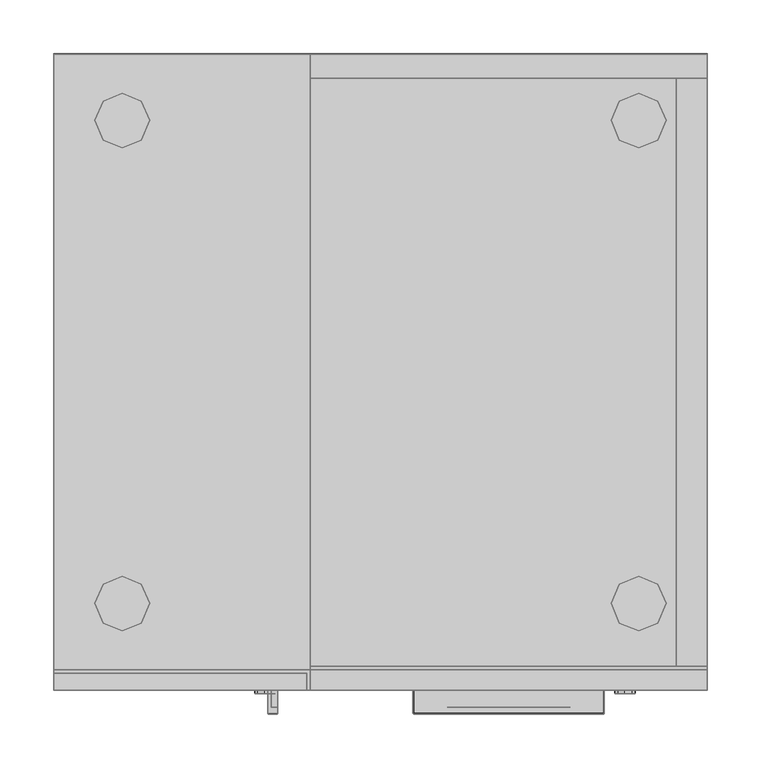
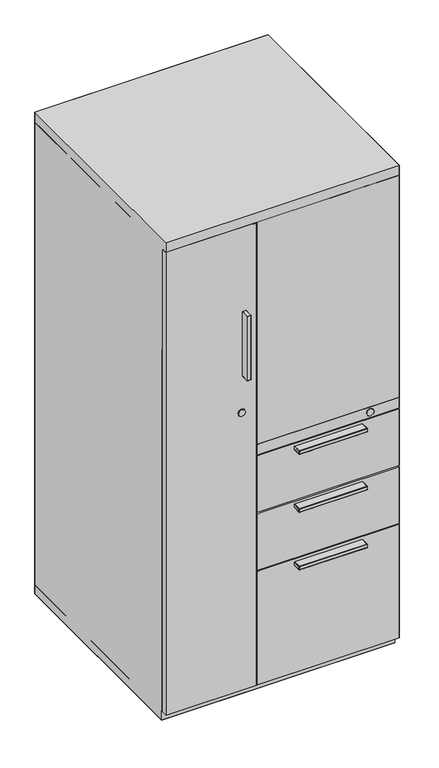
"""IFC4 building model written with IfcOpenShell, lengths in millimetres: furniture geometry."""

from ifc_helpers import new_model, si_unit, origin, place, context, project, spatial, triangles, source, transform, mapped, element, save


def furniture_34507e04(model_context):
    return source(origin(), model_context, "Body", "Tessellation", [
        triangles([(606.4250121, -590.55, 664.6672056), (238.125, -590.55, 664.6672056), (238.125, -590.55, 509.090946), (606.4250121, -590.55, 509.090946), (606.4250121, -574.6749879, 664.6672056), (606.4250121, -574.6749879, 509.090946), (238.125, -574.6749879, 509.090946), (238.125, -574.6749879, 664.6672056), (0.0, -590.55, 36.0172011), (234.9499939, -590.55, 36.0172011), (234.9499939, -590.55, 1304.9255814), (0.0, -590.55, 1304.9255814), (234.9499939, -574.6749879, 1304.9255814), (234.9499939, -574.6749879, 36.0172011), (0.0, -574.6749879, 36.0172011), (0.0, -574.6749879, 1304.9255814), (606.4250121, -590.55, 347.1672177), (238.125, -590.55, 347.1672177), (238.125, -590.55, 36.0172011), (606.4250121, -590.55, 36.0172011), (238.125, -574.6749879, 347.1672177), (238.125, -574.6749879, 36.0172011), (606.4250121, -574.6749879, 347.1672177), (606.4250121, -574.6749879, 36.0172011), (606.4250121, -590.55, 505.9146501), (238.125, -590.55, 505.9146501), (238.125, -590.55, 350.3409339), (606.4250121, -590.55, 350.3409339), (606.4250121, -574.6749879, 505.9146501), (606.4250121, -574.6749879, 350.3409339), (238.125, -574.6749879, 350.3409339), (238.125, -574.6749879, 505.9146501), (238.125, -590.55, 696.4172298), (606.4250121, -590.55, 696.4172298), (606.4250121, -574.6749879, 696.4172298), (238.125, -574.6749879, 696.4172298), (238.125, -590.55, 667.8422298), (606.4250121, -590.55, 667.8422298), (238.125, -574.6749879, 667.8422298), (606.4250121, -574.6749879, 667.8422298)], [[1, 2, 3], [1, 3, 4], [5, 1, 4], [5, 4, 6], [3, 2, 7], [2, 8, 7], [9, 10, 11], [9, 11, 12], [13, 14, 15], [13, 15, 16], [9, 12, 16], [9, 16, 15], [10, 14, 13], [10, 13, 11], [17, 18, 19], [17, 19, 20], [19, 18, 21], [19, 21, 22], [23, 17, 20], [23, 20, 24], [25, 26, 27], [25, 27, 28], [29, 25, 28], [29, 28, 30], [27, 26, 31], [26, 32, 31], [18, 17, 23], [18, 23, 21], [26, 25, 29], [26, 29, 32], [33, 34, 35], [33, 35, 36], [2, 1, 5], [2, 5, 8], [34, 33, 37], [34, 37, 38], [36, 33, 37], [36, 37, 39], [35, 34, 38], [35, 38, 40]], closed=False),
        triangles([(45.6406235, -528.2406129, 0.0), (63.4999985, -535.3843629, 0.0), (63.4999985, -535.3843629, 10.6172003), (45.6406235, -528.2406129, 10.6172003), (63.4999985, -484.584375, 0.0), (45.6406235, -492.1250121, 0.0), (45.6406235, -492.1250121, 10.6172003), (63.4999985, -484.584375, 10.6172003), (38.1, -509.9843871, 0.0), (38.1, -509.9843871, 10.6172003), (88.899997, -509.9843871, 0.0), (81.359378, -492.1250121, 0.0), (81.359378, -492.1250121, 10.6172003), (88.899997, -509.9843871, 10.6172003), (81.359378, -528.2406129, 0.0), (81.359378, -528.2406129, 10.6172003), (45.6406235, -79.771875, 10.6172003), (45.6406235, -79.771875, 0.0), (63.4999985, -86.915625, 0.0), (63.4999985, -86.915625, 10.6172003), (63.4999985, -36.1156258, 10.6172003), (63.4999985, -36.1156258, 0.0), (45.6406235, -43.6562515, 0.0), (45.6406235, -43.6562515, 10.6172003), (38.1, -61.5156265, 10.6172003), (38.1, -61.5156265, 0.0), (88.899997, -61.5156265, 10.6172003), (88.899997, -61.5156265, 0.0), (81.359378, -43.6562515, 0.0), (81.359378, -43.6562515, 10.6172003), (81.359378, -79.771875, 10.6172003), (81.359378, -79.771875, 0.0), (568.3250121, -509.9843871, 10.6172003), (568.3250121, -509.9843871, 0.0), (560.784375, -492.1250121, 0.0), (560.784375, -492.1250121, 10.6172003), (560.784375, -528.2406129, 10.6172003), (560.784375, -528.2406129, 0.0), (525.065625, -492.1250121, 10.6172003), (525.065625, -492.1250121, 0.0), (517.5249879, -509.9843871, 0.0), (517.5249879, -509.9843871, 10.6172003), (525.065625, -528.2406129, 0.0), (525.065625, -528.2406129, 10.6172003), (542.925, -535.3843629, 0.0), (542.925, -535.3843629, 10.6172003), (542.925, -484.584375, 0.0), (542.925, -484.584375, 10.6172003), (568.3250121, -61.5156265, 0.0), (560.784375, -43.6562515, 0.0), (560.784375, -43.6562515, 10.6172003), (568.3250121, -61.5156265, 10.6172003), (560.784375, -79.771875, 0.0), (560.784375, -79.771875, 10.6172003), (525.065625, -43.6562515, 0.0), (517.5249879, -61.5156265, 0.0), (517.5249879, -61.5156265, 10.6172003), (525.065625, -43.6562515, 10.6172003), (525.065625, -79.771875, 0.0), (525.065625, -79.771875, 10.6172003), (542.925, -86.915625, 0.0), (542.925, -86.915625, 10.6172003), (542.925, -36.1156258, 0.0), (542.925, -36.1156258, 10.6172003)], [[1, 2, 3], [1, 3, 4], [5, 6, 7], [5, 7, 8], [6, 9, 10], [6, 10, 7], [9, 1, 4], [9, 4, 10], [11, 12, 13], [11, 13, 14], [15, 11, 14], [15, 14, 16], [2, 15, 16], [2, 16, 3], [12, 5, 8], [12, 8, 13], [17, 18, 19], [17, 19, 20], [21, 22, 23], [21, 23, 24], [24, 23, 25], [23, 26, 25], [25, 26, 18], [25, 18, 17], [27, 28, 29], [27, 29, 30], [31, 32, 28], [31, 28, 27], [20, 19, 31], [19, 32, 31], [30, 29, 22], [30, 22, 21], [33, 34, 35], [33, 35, 36], [37, 38, 34], [37, 34, 33], [39, 40, 41], [39, 41, 42], [42, 41, 43], [42, 43, 44], [44, 43, 45], [44, 45, 46], [46, 45, 38], [46, 38, 37], [36, 35, 47], [36, 47, 48], [48, 47, 40], [48, 40, 39], [49, 50, 51], [49, 51, 52], [53, 49, 52], [53, 52, 54], [55, 56, 57], [55, 57, 58], [56, 59, 60], [56, 60, 57], [59, 61, 62], [59, 62, 60], [63, 55, 58], [63, 58, 64], [61, 53, 54], [61, 54, 62], [50, 63, 64], [50, 64, 51]], closed=False),
        triangles([(199.2045741, -590.55, 897.2854923), (207.2055755, -590.55, 897.2854923), (207.2055755, -612.0130068, 897.2854923), (199.2045741, -612.0130068, 897.2854923), (199.2045741, -612.7750242, 898.0475098), (207.2055755, -612.7750242, 898.0475098), (207.2055755, -612.7750242, 1074.3234507), (199.2045741, -612.7750242, 1074.3234507), (198.4425748, -590.55, 898.0475098), (198.4425748, -612.0130068, 898.0475098), (198.4425748, -612.0130068, 1074.3234507), (198.4425748, -590.55, 1074.3234507), (201.6175808, -605.7899855, 934.8012983), (201.6175808, -590.55, 934.8012983), (201.6175808, -605.7899855, 1037.5696621), (201.6175808, -590.55, 1037.5696621), (202.0017144, -590.55, 1039.7447474), (201.9942112, -605.7899855, 1039.7240364), (203.2430267, -590.55, 1041.8124264), (203.2430267, -605.7899855, 1041.8124264), (205.0182454, -590.55, 1043.1932287), (204.9988425, -605.7899855, 1043.1829823), (207.2872202, -590.55, 1043.8831575), (207.2872202, -605.7899855, 1043.8831575), (207.7725286, -590.55, 1044.1316162), (207.7725286, -605.7899855, 1044.1316162), (207.9675748, -590.55, 1044.6407421), (207.9675748, -605.7899855, 1044.6407421), (201.9942112, -605.7899855, 932.646924), (202.0017144, -590.55, 932.6262131), (203.2430267, -605.7899855, 930.558534), (203.2430267, -590.55, 930.558534), (204.9988425, -605.7899855, 929.1879782), (205.0182454, -590.55, 929.1777317), (207.2872202, -605.7899855, 928.4878029), (207.2872202, -590.55, 928.4878029), (207.7725286, -605.7899855, 928.2393442), (207.7725286, -590.55, 928.2393442), (207.9675748, -605.7899855, 927.7302183), (207.9675748, -590.55, 927.7302183), (207.2667636, -606.3330119, 928.7189661), (205.0794698, -606.3288334, 929.396105), (207.2055755, -606.5520029, 929.265517), (205.2740982, -606.5520029, 929.8985453), (203.4098043, -606.3288334, 930.7068535), (203.8124505, -606.5520029, 931.0648985), (202.7152973, -606.5520029, 932.8932026), (202.2054083, -606.3288334, 932.7190853), (202.3795801, -606.5520029, 934.8012983), (201.8407685, -606.3288334, 934.8012983), (205.0794698, -606.3288334, 1042.9748554), (207.2667636, -606.3330119, 1043.6519943), (205.2740982, -606.5520029, 1042.4724152), (207.2055755, -606.5520029, 1043.1054434), (203.4098043, -606.3288334, 1041.6641069), (203.8124505, -606.5520029, 1041.3060619), (202.2054083, -606.3288334, 1039.6518751), (202.7152973, -606.5520029, 1039.4777578), (201.8407685, -606.3288334, 1037.5696621), (202.3795801, -606.5520029, 1037.5696621), (207.7444053, -606.7751724, 1043.1055161), (207.7968003, -606.4443787, 1043.8466045), (207.967593, -607.313984, 1043.1055161), (207.967593, -606.8467887, 1044.2145327), (207.7928761, -606.4443787, 928.5235565), (207.7368113, -606.7751724, 929.2643543), (207.9654674, -606.8467887, 928.1563551), (207.9599989, -607.313984, 929.2654444), (199.2045741, -612.551782, 897.5086618), (207.2055755, -612.5393555, 897.5369305), (207.9675748, -612.0130068, 898.0475098), (207.7443871, -612.0130068, 897.5086618), (207.7443871, -590.55, 897.5086618), (207.9675748, -590.55, 898.0475098), (207.9675748, -612.0130068, 1074.3234507), (207.7443871, -612.551782, 1074.3234507), (207.7443871, -612.551782, 898.0475098), (207.2055755, -590.55, 1075.0854681), (199.2045741, -590.55, 1075.0854681), (199.2045741, -612.0130068, 1075.0854681), (207.2055755, -612.0130068, 1075.0854681), (207.9675748, -590.55, 1074.3234507), (207.7443871, -590.55, 1074.8622986), (207.7443871, -612.0130068, 1074.8622986), (198.6657625, -590.55, 1074.8622986), (198.6657625, -612.0130068, 1074.8622986), (198.6657625, -612.551782, 1074.3234507), (198.6657625, -612.551782, 898.0475098), (198.6657625, -590.55, 897.5086618), (198.6657625, -612.0130068, 897.5086618), (207.2055755, -612.551782, 1074.8622986), (199.2045741, -612.551782, 1074.8622986), (207.5865661, -612.551782, 1074.7045321), (198.6657625, -612.3937975, 1074.7046774), (198.6657625, -612.3921261, 897.664539), (207.7443871, -612.3795542, 897.6926622), (198.4425748, -590.55, 1037.508692), (198.4425748, -590.55, 934.8063852), (198.4425748, -590.55, 1039.7089211), (198.4425748, -590.55, 1041.8925087), (198.4425748, -590.55, 1043.3794819), (198.4425748, -590.55, 1043.9726143), (198.4425748, -590.55, 1044.6079679), (198.4425748, -590.55, 932.6620394), (198.4425748, -590.55, 930.4784517), (198.4425748, -590.55, 928.9914785), (198.4425748, -590.55, 928.3983461), (198.4425748, -590.55, 927.7629925), (207.9675748, -612.0130068, 1044.6406694), (207.9675748, -612.0130068, 1044.21446), (207.9675748, -612.0130068, 1043.0728872), (207.9675748, -612.0130068, 929.2641363), (207.9675748, -612.0130068, 928.1560644), (207.9675748, -612.0130068, 927.7302183), (207.2055755, -606.5520029, 934.2902103), (207.2055755, -606.5520029, 1037.3476553), (207.2055755, -606.5520029, 1039.2282091), (207.2055755, -606.5520029, 1041.1360868), (207.2055755, -606.5520029, 932.3843674), (207.2055755, -606.5520029, 930.7274191), (365.3825666, -606.5520029, 648.8556707), (366.0155949, -606.5520029, 650.7871662), (367.1819481, -606.5520029, 652.2488503), (366.8444687, -606.5520029, 648.8556707), (369.0102885, -606.5520029, 653.345949), (368.501417, -606.5520029, 648.8556707), (370.9183479, -606.5520029, 653.6816843), (370.4072963, -606.5520029, 648.8556707), (477.2531364, -606.5520029, 648.8556707), (477.4231479, -606.5520029, 652.2488503), (478.5895011, -606.5520029, 650.7871662), (479.2225293, -606.5520029, 648.8556707), (475.345295, -606.5520029, 648.8556707), (475.5948074, -606.5520029, 653.345949), (473.4647776, -606.5520029, 648.8556707), (473.686748, -606.5520029, 653.6816843), (363.8473042, -590.55, 648.093726), (363.8472679, -612.0130068, 648.093726), (334.1645594, -612.0130068, 648.093726), (334.1645594, -590.55, 648.093726), (364.273441, -606.8467887, 648.0958334), (364.2731503, -612.0130068, 648.093726), (363.8473042, -605.7899855, 648.093726), (365.3825303, -607.313984, 648.1012836), (365.3811859, -612.0130068, 648.093726), (479.2225657, -607.313984, 648.093726), (479.1900095, -612.0130068, 648.093726), (480.3316186, -606.8467887, 648.093726), (480.3315459, -612.0130068, 648.093726), (480.757828, -605.7899855, 648.093726), (480.7577554, -612.0130068, 648.093726), (510.4405366, -590.55, 648.093726), (510.4405366, -612.0130068, 648.093726), (480.757828, -590.55, 648.093726), (333.6257478, -590.55, 657.3954838), (333.6257478, -590.55, 648.3168955), (333.4025419, -590.55, 648.8556707), (333.4025419, -590.55, 656.8567085), (334.1645594, -590.55, 657.618726), (363.8800784, -590.55, 657.618726), (364.3564301, -590.55, 648.2887722), (364.5153957, -590.55, 657.618726), (364.6048888, -590.55, 648.7740623), (365.1085281, -590.55, 657.618726), (365.2948176, -590.55, 651.0430372), (366.5955377, -590.55, 657.618726), (366.6755836, -590.55, 652.8182196), (368.779089, -590.55, 657.618726), (368.7432627, -590.55, 654.0595682), (370.9234348, -590.55, 657.618726), (370.9183479, -590.55, 654.4437017), (510.4405366, -590.55, 657.618726), (480.7250175, -590.55, 657.618726), (510.9793482, -590.55, 657.3954838), (510.9793482, -590.55, 648.3168955), (511.202554, -590.55, 656.8567085), (511.202554, -590.55, 648.8556707), (480.2486658, -590.55, 648.2887722), (480.0002071, -590.55, 648.7740623), (480.0897002, -590.55, 657.618726), (479.3102783, -590.55, 651.0430372), (479.4965678, -590.55, 657.618726), (477.9295123, -590.55, 652.8182196), (478.0095946, -590.55, 657.618726), (475.8618333, -590.55, 654.0595682), (475.826007, -590.55, 657.618726), (473.686748, -590.55, 654.4437017), (473.6257416, -590.55, 657.618726), (333.8097482, -612.3795542, 648.3168955), (333.6539801, -612.5393555, 648.8556707), (333.4025419, -612.0130068, 648.8556707), (333.6257478, -612.0130068, 648.3168955), (334.1645594, -612.551782, 648.3168955), (334.1645594, -612.7750242, 648.8556707), (333.7816249, -612.3921261, 657.3954838), (333.6257478, -612.551782, 656.8567085), (334.1645594, -612.7750242, 656.8567085), (334.1645594, -612.551782, 657.3954838), (333.6257478, -612.0130068, 657.3954838), (333.4025419, -612.0130068, 656.8567085), (334.1645594, -612.0130068, 657.618726), (510.821727, -612.3937975, 657.3954838), (510.9793482, -612.551782, 656.8567085), (511.202554, -612.0130068, 656.8567085), (510.9793482, -612.0130068, 657.3954838), (510.4405366, -612.551782, 657.3954838), (510.4405366, -612.7750242, 656.8567085), (510.4405366, -612.0130068, 657.618726), (510.8215816, -612.551782, 648.4747347), (510.9793845, -612.0130068, 648.3168955), (511.202554, -612.0130068, 648.8556707), (510.9793482, -612.551782, 648.8556707), (510.4405366, -612.551782, 648.3168955), (510.4405366, -612.7750242, 648.8556707), (365.3814403, -606.7751724, 648.3244532), (479.2225657, -606.7751724, 648.3168955), (364.3564301, -605.7899855, 648.2887722), (364.6406061, -606.4443787, 648.2684246), (364.6049252, -605.7899855, 648.7740623), (364.8360157, -606.3330119, 648.7944826), (479.9636541, -606.4443787, 648.2645004), (480.2486658, -605.7899855, 648.2887722), (479.7690803, -606.3330119, 648.7944826), (480.0002071, -605.7899855, 648.7740623), (370.9183479, -606.3288334, 654.2205322), (473.686748, -606.3288334, 654.2205322), (370.9183479, -605.7899855, 654.4437017), (473.686748, -605.7899855, 654.4437017), (475.8411223, -605.7899855, 654.0670532), (475.768961, -606.3288334, 653.8558743), (477.7812292, -606.3288334, 652.651442), (477.9295123, -605.7899855, 652.8182196), (479.0919414, -606.3288334, 650.9817764), (479.3000682, -605.7899855, 651.0624401), (366.6755836, -605.7899855, 652.8182196), (366.8239031, -606.3288334, 652.651442), (368.8361349, -606.3288334, 653.8558743), (368.7639736, -605.7899855, 654.0670532), (365.5131546, -606.3288334, 650.9817764), (365.3050641, -605.7899855, 651.0624401), (365.3825666, -606.5520029, 490.1031515), (366.0155949, -606.5520029, 492.034647), (367.1819481, -606.5520029, 493.4962947), (366.8444687, -606.5520029, 490.1031515), (369.0102885, -606.5520029, 494.5934298), (368.501417, -606.5520029, 490.1031515), (370.9183479, -606.5520029, 494.9291651), (370.4072963, -606.5520029, 490.1031515), (477.2531364, -606.5520029, 490.1031515), (477.4231479, -606.5520029, 493.4962947), (478.5895011, -606.5520029, 492.034647), (479.2225293, -606.5520029, 490.1031515), (475.345295, -606.5520029, 490.1031515), (475.5948074, -606.5520029, 494.5934298), (473.4647776, -606.5520029, 490.1031515), (473.686748, -606.5520029, 494.9291651), (363.8473042, -590.55, 489.3411704), (363.8472679, -612.0130068, 489.3411704), (334.1645594, -612.0130068, 489.3411704), (334.1645594, -590.55, 489.3411704), (364.273441, -606.8467887, 489.3432778), (364.2731503, -612.0130068, 489.3411704), (363.8473042, -605.7899855, 489.3411704), (365.3825303, -607.313984, 489.3487281), (365.3811859, -612.0130068, 489.3411704), (479.2225657, -607.313984, 489.3411704), (479.1900095, -612.0130068, 489.3411704), (480.3316186, -606.8467887, 489.3411704), (480.3315459, -612.0130068, 489.3411704), (480.757828, -605.7899855, 489.3411704), (480.7577554, -612.0130068, 489.3411704), (510.4405366, -590.55, 489.3411704), (510.4405366, -612.0130068, 489.3411704), (480.757828, -590.55, 489.3411704), (333.6257478, -590.55, 498.6429646), (333.6257478, -590.55, 489.5643399), (333.4025419, -590.55, 490.1031515), (333.4025419, -590.55, 498.104153), (334.1645594, -590.55, 498.8661704), (363.8800784, -590.55, 498.8661704), (364.3564301, -590.55, 489.5362166), (364.5153957, -590.55, 498.8661704), (364.6048888, -590.55, 490.0215068), (365.1085281, -590.55, 498.8661704), (365.2948176, -590.55, 492.2904817), (366.5955377, -590.55, 498.8661704), (366.6755836, -590.55, 494.0657003), (368.779089, -590.55, 498.8661704), (368.7432627, -590.55, 495.3070127), (370.9234348, -590.55, 498.8661704), (370.9183479, -590.55, 495.6911462), (510.4405366, -590.55, 498.8661704), (480.7250175, -590.55, 498.8661704), (510.9793482, -590.55, 498.6429646), (510.9793482, -590.55, 489.5643399), (511.202554, -590.55, 498.104153), (511.202554, -590.55, 490.1031515), (480.2486658, -590.55, 489.5362166), (480.0002071, -590.55, 490.0215068), (480.0897002, -590.55, 498.8661704), (479.3102783, -590.55, 492.2904817), (479.4965678, -590.55, 498.8661704), (477.9295123, -590.55, 494.0657003), (478.0095946, -590.55, 498.8661704), (475.8618333, -590.55, 495.3070127), (475.826007, -590.55, 498.8661704), (473.686748, -590.55, 495.6911462), (473.6257416, -590.55, 498.8661704), (333.8097482, -612.3795542, 489.5643399), (333.6539801, -612.5393555, 490.1031515), (333.4025419, -612.0130068, 490.1031515), (333.6257478, -612.0130068, 489.5643399), (334.1645594, -612.551782, 489.5643399), (334.1645594, -612.7750242, 490.1031515), (333.7816249, -612.3921261, 498.6429646), (333.6257478, -612.551782, 498.104153), (334.1645594, -612.7750242, 498.104153), (334.1645594, -612.551782, 498.6429646), (333.6257478, -612.0130068, 498.6429646), (333.4025419, -612.0130068, 498.104153), (334.1645594, -612.0130068, 498.8661704), (510.821727, -612.3937975, 498.6429646), (510.9793482, -612.551782, 498.104153), (511.202554, -612.0130068, 498.104153), (510.9793482, -612.0130068, 498.6429646), (510.4405366, -612.551782, 498.6429646), (510.4405366, -612.7750242, 498.104153), (510.4405366, -612.0130068, 498.8661704), (510.8215816, -612.551782, 489.7221791), (510.9793845, -612.0130068, 489.5643763), (511.202554, -612.0130068, 490.1031515), (510.9793482, -612.551782, 490.1031515), (510.4405366, -612.551782, 489.5643399), (510.4405366, -612.7750242, 490.1031515), (365.3814403, -606.7751724, 489.5719339), (479.2225657, -606.7751724, 489.5643399), (364.3564301, -605.7899855, 489.5362166), (364.6406061, -606.4443787, 489.515869), (364.6049252, -605.7899855, 490.0215068), (364.8360157, -606.3330119, 490.0419634), (479.9636541, -606.4443787, 489.5119449), (480.2486658, -605.7899855, 489.5362166), (479.7690803, -606.3330119, 490.0419634), (480.0002071, -605.7899855, 490.0215068), (370.9183479, -606.3288334, 495.4679767), (473.686748, -606.3288334, 495.4679767), (370.9183479, -605.7899855, 495.6911462), (473.686748, -605.7899855, 495.6911462), (475.8411223, -605.7899855, 495.314534), (475.768961, -606.3288334, 495.1033187), (477.7812292, -606.3288334, 493.8989227), (477.9295123, -605.7899855, 494.0657003), (479.0919414, -606.3288334, 492.2292572), (479.3000682, -605.7899855, 492.3098845), (366.6755836, -605.7899855, 494.0657003), (366.8239031, -606.3288334, 493.8989227), (368.8361349, -606.3288334, 495.1033187), (368.7639736, -605.7899855, 495.314534), (365.5131546, -606.3288334, 492.2292572), (365.3050641, -605.7899855, 492.3098845), (365.3825666, -606.5520029, 331.3556828), (366.0155949, -606.5520029, 333.2871783), (367.1819481, -606.5520029, 334.748826), (366.8444687, -606.5520029, 331.3556828), (369.0102885, -606.5520029, 335.8459974), (368.501417, -606.5520029, 331.3556828), (370.9183479, -606.5520029, 336.1816964), (370.4072963, -606.5520029, 331.3556828), (477.2531364, -606.5520029, 331.3556828), (477.4231479, -606.5520029, 334.748826), (478.5895011, -606.5520029, 333.2871783), (479.2225293, -606.5520029, 331.3556828), (475.345295, -606.5520029, 331.3556828), (475.5948074, -606.5520029, 335.8459974), (473.4647776, -606.5520029, 331.3556828), (473.686748, -606.5520029, 336.1816964), (363.8473042, -590.55, 330.5937017), (363.8472679, -612.0130068, 330.5937017), (334.1645594, -612.0130068, 330.5937017), (334.1645594, -590.55, 330.5937017), (364.273441, -606.8467887, 330.5958092), (364.2731503, -612.0130068, 330.5937017), (363.8473042, -605.7899855, 330.5937017), (365.3825303, -607.313984, 330.6012958), (365.3811859, -612.0130068, 330.5937017), (479.2225657, -607.313984, 330.5937017), (479.1900095, -612.0130068, 330.5937017), (480.3316186, -606.8467887, 330.5937017), (480.3315459, -612.0130068, 330.5937017), (480.757828, -605.7899855, 330.5937017), (480.7577554, -612.0130068, 330.5937017), (510.4405366, -590.55, 330.5937017), (510.4405366, -612.0130068, 330.5937017), (480.757828, -590.55, 330.5937017), (333.6257478, -590.55, 339.8955322), (333.6257478, -590.55, 330.8168713), (333.4025419, -590.55, 331.3556828), (333.4025419, -590.55, 339.3566843), (334.1645594, -590.55, 340.1187017), (363.8800784, -590.55, 340.1187017), (364.3564301, -590.55, 330.788748), (364.5153957, -590.55, 340.1187017), (364.6048888, -590.55, 331.2740745), (365.1085281, -590.55, 340.1187017), (365.2948176, -590.55, 333.5430493), (366.5955377, -590.55, 340.1187017), (366.6755836, -590.55, 335.318268), (368.779089, -590.55, 340.1187017), (368.7432627, -590.55, 336.5595803), (370.9234348, -590.55, 340.1187017), (370.9183479, -590.55, 336.9437139), (510.4405366, -590.55, 340.1187017), (480.7250175, -590.55, 340.1187017), (510.9793482, -590.55, 339.8955322), (510.9793482, -590.55, 330.8168713), (511.202554, -590.55, 339.3566843), (511.202554, -590.55, 331.3556828), (480.2486658, -590.55, 330.788748), (480.0002071, -590.55, 331.2740745), (480.0897002, -590.55, 340.1187017), (479.3102783, -590.55, 333.5430493), (479.4965678, -590.55, 340.1187017), (477.9295123, -590.55, 335.318268), (478.0095946, -590.55, 340.1187017), (475.8618333, -590.55, 336.5595803), (475.826007, -590.55, 340.1187017), (473.686748, -590.55, 336.9437139), (473.6257416, -590.55, 340.1187017), (333.8097482, -612.3795542, 330.8168713), (333.6539801, -612.5393555, 331.3556828), (333.4025419, -612.0130068, 331.3556828), (333.6257478, -612.0130068, 330.8168713), (334.1645594, -612.551782, 330.8168713), (334.1645594, -612.7750242, 331.3556828), (333.7816249, -612.3921261, 339.8955322), (333.6257478, -612.551782, 339.3566843), (334.1645594, -612.7750242, 339.3566843), (334.1645594, -612.551782, 339.8955322), (333.6257478, -612.0130068, 339.8955322), (333.4025419, -612.0130068, 339.3566843), (334.1645594, -612.0130068, 340.1187017), (510.821727, -612.3937975, 339.8955322), (510.9793482, -612.551782, 339.3566843), (511.202554, -612.0130068, 339.3566843), (510.9793482, -612.0130068, 339.8955322), (510.4405366, -612.551782, 339.8955322), (510.4405366, -612.7750242, 339.3566843), (510.4405366, -612.0130068, 340.1187017), (510.8215816, -612.551782, 330.9747105), (510.9793845, -612.0130068, 330.8169076), (511.202554, -612.0130068, 331.3556828), (510.9793482, -612.551782, 331.3556828), (510.4405366, -612.551782, 330.8168713), (510.4405366, -612.7750242, 331.3556828), (365.3814403, -606.7751724, 330.8244653), (479.2225657, -606.7751724, 330.8168713), (364.3564301, -605.7899855, 330.788748), (364.6406061, -606.4443787, 330.7684004), (364.6049252, -605.7899855, 331.2740745), (364.8360157, -606.3330119, 331.2945311), (479.9636541, -606.4443787, 330.7644762), (480.2486658, -605.7899855, 330.788748), (479.7690803, -606.3330119, 331.2945311), (480.0002071, -605.7899855, 331.2740381), (370.9183479, -606.3288334, 336.720508), (473.686748, -606.3288334, 336.720508), (370.9183479, -605.7899855, 336.9437139), (473.686748, -605.7899855, 336.9437139), (475.8411223, -605.7899855, 336.5670653), (475.768961, -606.3288334, 336.3558864), (477.7812292, -606.3288334, 335.1514541), (477.9295123, -605.7899855, 335.318268), (479.0919414, -606.3288334, 333.4818249), (479.3000682, -605.7899855, 333.5624159), (366.6755836, -605.7899855, 335.318268), (366.8239031, -606.3288334, 335.1514541), (368.8361349, -606.3288334, 336.3558864), (368.7639736, -605.7899855, 336.5670653), (365.5131546, -606.3288334, 333.4818249), (365.3050641, -605.7899855, 333.5624159)], [[1, 2, 3], [1, 3, 4], [5, 6, 7], [5, 7, 8], [9, 10, 11], [9, 11, 12], [13, 14, 15], [14, 16, 15], [15, 16, 17], [15, 17, 18], [18, 17, 19], [18, 19, 20], [20, 19, 21], [20, 21, 22], [22, 21, 23], [22, 23, 24], [24, 23, 25], [24, 25, 26], [26, 25, 27], [26, 27, 28], [29, 30, 14], [29, 14, 13], [31, 32, 30], [31, 30, 29], [33, 34, 32], [33, 32, 31], [35, 36, 34], [35, 34, 33], [37, 38, 36], [37, 36, 35], [39, 40, 38], [39, 38, 37], [35, 41, 42], [35, 42, 33], [41, 43, 44], [41, 44, 42], [33, 42, 45], [33, 45, 31], [42, 44, 46], [42, 46, 45], [45, 46, 47], [45, 47, 48], [48, 47, 49], [48, 49, 50], [29, 48, 50], [29, 50, 13], [31, 45, 48], [31, 48, 29], [22, 51, 52], [22, 52, 24], [51, 53, 54], [51, 54, 52], [20, 55, 51], [20, 51, 22], [55, 56, 53], [55, 53, 51], [57, 58, 56], [57, 56, 55], [59, 60, 58], [59, 58, 57], [15, 59, 57], [15, 57, 18], [18, 57, 55], [18, 55, 20], [50, 13, 59], [13, 15, 59], [49, 50, 60], [50, 59, 60], [61, 54, 52], [61, 52, 62], [62, 52, 24], [62, 24, 26], [63, 61, 62], [63, 62, 64], [64, 62, 26], [64, 26, 28], [65, 41, 43], [65, 43, 66], [37, 35, 41], [37, 41, 65], [67, 65, 66], [67, 66, 68], [39, 37, 65], [39, 65, 67], [68, 66, 63], [66, 61, 63], [66, 43, 54], [66, 54, 61], [6, 5, 69], [6, 69, 70], [70, 69, 4], [70, 4, 3], [71, 72, 73], [71, 73, 74], [72, 3, 2], [72, 2, 73], [75, 76, 77], [75, 77, 71], [76, 7, 6], [76, 6, 77], [78, 79, 80], [78, 80, 81], [82, 83, 84], [82, 84, 75], [83, 78, 81], [83, 81, 84], [79, 85, 80], [85, 86, 80], [85, 12, 86], [12, 11, 86], [8, 87, 88], [8, 88, 5], [87, 11, 10], [87, 10, 88], [9, 89, 10], [89, 90, 10], [89, 1, 90], [1, 4, 90], [8, 7, 91], [8, 91, 92], [92, 91, 80], [91, 81, 80], [7, 76, 93], [7, 93, 91], [76, 75, 84], [76, 84, 93], [93, 84, 81], [93, 81, 91], [11, 87, 94], [11, 94, 86], [87, 8, 92], [87, 92, 94], [94, 92, 80], [94, 80, 86], [10, 90, 95], [10, 95, 88], [90, 4, 69], [90, 69, 95], [95, 69, 5], [95, 5, 88], [71, 77, 96], [71, 96, 72], [77, 6, 70], [77, 70, 96], [96, 70, 3], [96, 3, 72], [97, 16, 14], [97, 14, 98], [99, 17, 97], [17, 16, 97], [100, 19, 17], [100, 17, 99], [101, 21, 19], [101, 19, 100], [102, 23, 21], [102, 21, 101], [103, 25, 23], [103, 23, 102], [103, 27, 25], [12, 82, 103], [82, 27, 103], [98, 14, 104], [14, 30, 104], [104, 30, 105], [30, 32, 105], [105, 32, 106], [32, 34, 106], [106, 34, 107], [34, 36, 107], [107, 36, 108], [36, 38, 108], [38, 40, 108], [108, 40, 9], [40, 74, 9], [9, 74, 73], [9, 73, 89], [89, 73, 2], [89, 2, 1], [82, 75, 27], [75, 109, 27], [28, 109, 64], [109, 110, 64], [64, 110, 63], [110, 111, 63], [63, 111, 112], [63, 112, 68], [68, 112, 113], [68, 113, 67], [67, 113, 114], [67, 114, 39], [40, 114, 74], [114, 71, 74], [115, 49, 116], [49, 60, 116], [116, 60, 58], [116, 58, 117], [117, 58, 56], [117, 56, 118], [118, 56, 53], [118, 53, 54], [119, 47, 49], [119, 49, 115], [120, 46, 47], [120, 47, 119], [43, 44, 46], [43, 46, 120], [121, 122, 123], [121, 123, 124], [124, 123, 125], [124, 125, 126], [126, 125, 127], [126, 127, 128], [129, 130, 131], [129, 131, 132], [133, 134, 130], [133, 130, 129], [135, 136, 134], [135, 134, 133], [128, 127, 136], [128, 136, 135], [137, 138, 139], [137, 139, 140], [141, 142, 138], [141, 138, 143], [144, 145, 142], [144, 142, 141], [146, 147, 145], [146, 145, 144], [148, 149, 146], [149, 147, 146], [150, 151, 148], [151, 149, 148], [152, 153, 151], [152, 151, 154], [155, 156, 157], [155, 157, 158], [159, 140, 156], [159, 156, 155], [160, 137, 140], [160, 140, 159], [161, 137, 160], [162, 163, 160], [163, 161, 160], [164, 165, 162], [165, 163, 162], [166, 167, 165], [166, 165, 164], [168, 169, 167], [168, 167, 166], [170, 171, 169], [170, 169, 168], [172, 152, 154], [172, 154, 173], [174, 175, 152], [174, 152, 172], [176, 177, 174], [177, 175, 174], [173, 154, 178], [173, 178, 179], [173, 179, 180], [180, 179, 181], [180, 181, 182], [182, 181, 183], [182, 183, 184], [184, 183, 185], [184, 185, 186], [186, 185, 187], [186, 187, 188], [188, 187, 171], [188, 171, 170], [189, 190, 191], [189, 191, 192], [193, 194, 190], [193, 190, 189], [139, 189, 192], [139, 193, 189], [195, 196, 197], [195, 197, 198], [199, 200, 196], [199, 196, 195], [201, 195, 198], [201, 199, 195], [202, 203, 204], [202, 204, 205], [206, 207, 203], [206, 203, 202], [208, 202, 205], [208, 206, 202], [209, 210, 211], [209, 211, 212], [213, 153, 210], [213, 210, 209], [214, 209, 212], [214, 213, 209], [203, 212, 211], [203, 211, 204], [207, 214, 212], [207, 212, 203], [155, 158, 199], [158, 200, 199], [159, 155, 201], [155, 199, 201], [206, 208, 201], [206, 201, 198], [207, 206, 198], [207, 198, 197], [174, 172, 205], [172, 208, 205], [176, 174, 205], [176, 205, 204], [175, 177, 211], [175, 211, 210], [152, 175, 210], [152, 210, 153], [177, 176, 204], [177, 204, 211], [213, 214, 194], [213, 194, 193], [153, 213, 193], [153, 193, 139], [192, 191, 157], [192, 157, 156], [139, 192, 156], [139, 156, 140], [190, 196, 200], [190, 200, 191], [194, 197, 196], [194, 196, 190], [215, 121, 132], [215, 132, 216], [144, 215, 146], [215, 216, 146], [143, 217, 218], [143, 218, 141], [141, 218, 215], [141, 215, 144], [217, 219, 220], [217, 220, 218], [218, 220, 121], [218, 121, 215], [148, 221, 222], [148, 222, 150], [146, 216, 221], [146, 221, 148], [221, 223, 224], [221, 224, 222], [216, 132, 223], [216, 223, 221], [127, 225, 226], [127, 226, 136], [225, 227, 226], [227, 228, 226], [229, 230, 231], [229, 231, 232], [228, 226, 230], [228, 230, 229], [226, 136, 134], [226, 134, 230], [230, 134, 130], [230, 130, 231], [231, 130, 131], [231, 131, 233], [232, 231, 233], [232, 233, 234], [233, 131, 132], [233, 132, 223], [234, 233, 223], [234, 223, 224], [235, 236, 237], [235, 237, 238], [238, 237, 225], [238, 225, 227], [237, 125, 127], [237, 127, 225], [236, 123, 125], [236, 125, 237], [239, 122, 123], [239, 123, 236], [240, 239, 236], [240, 236, 235], [220, 121, 122], [220, 122, 239], [219, 220, 239], [219, 239, 240], [143, 137, 161], [143, 161, 217], [217, 161, 163], [217, 163, 219], [219, 163, 165], [219, 165, 240], [240, 165, 167], [240, 167, 235], [235, 167, 169], [235, 169, 238], [238, 169, 171], [238, 171, 227], [222, 178, 154], [222, 154, 150], [224, 179, 178], [224, 178, 222], [234, 181, 179], [234, 179, 224], [232, 183, 181], [232, 181, 234], [229, 185, 183], [229, 183, 232], [228, 187, 185], [228, 185, 229], [227, 171, 228], [171, 187, 228], [159, 201, 208], [159, 208, 172], [197, 194, 207], [194, 214, 207], [158, 157, 200], [157, 191, 200], [241, 242, 243], [241, 243, 244], [244, 243, 245], [244, 245, 246], [246, 245, 247], [246, 247, 248], [249, 250, 251], [249, 251, 252], [253, 254, 250], [253, 250, 249], [255, 256, 254], [255, 254, 253], [248, 247, 256], [248, 256, 255], [257, 258, 259], [257, 259, 260], [261, 262, 258], [261, 258, 263], [264, 265, 262], [264, 262, 261], [266, 267, 265], [266, 265, 264], [268, 269, 266], [269, 267, 266], [270, 271, 268], [271, 269, 268], [272, 273, 271], [272, 271, 274], [275, 276, 277], [275, 277, 278], [279, 260, 276], [279, 276, 275], [280, 257, 260], [280, 260, 279], [281, 257, 280], [282, 283, 280], [283, 281, 280], [284, 285, 282], [285, 283, 282], [286, 287, 285], [286, 285, 284], [288, 289, 287], [288, 287, 286], [290, 291, 289], [290, 289, 288], [292, 272, 274], [292, 274, 293], [294, 295, 272], [294, 272, 292], [296, 297, 294], [297, 295, 294], [293, 274, 298], [293, 298, 299], [293, 299, 300], [300, 299, 301], [300, 301, 302], [302, 301, 303], [302, 303, 304], [304, 303, 305], [304, 305, 306], [306, 305, 307], [306, 307, 308], [308, 307, 291], [308, 291, 290], [309, 310, 311], [309, 311, 312], [313, 314, 310], [313, 310, 309], [259, 309, 312], [259, 313, 309], [315, 316, 317], [315, 317, 318], [319, 320, 316], [319, 316, 315], [321, 315, 318], [321, 319, 315], [322, 323, 324], [322, 324, 325], [326, 327, 323], [326, 323, 322], [328, 322, 325], [328, 326, 322], [329, 330, 331], [329, 331, 332], [333, 273, 330], [333, 330, 329], [334, 329, 332], [334, 333, 329], [323, 332, 331], [323, 331, 324], [327, 334, 332], [327, 332, 323], [275, 278, 319], [278, 320, 319], [279, 275, 321], [275, 319, 321], [326, 328, 321], [326, 321, 318], [327, 326, 318], [327, 318, 317], [294, 292, 325], [292, 328, 325], [296, 294, 325], [296, 325, 324], [295, 297, 331], [295, 331, 330], [272, 295, 330], [272, 330, 273], [297, 296, 324], [297, 324, 331], [333, 334, 314], [333, 314, 313], [273, 333, 313], [273, 313, 259], [312, 311, 277], [312, 277, 276], [259, 312, 276], [259, 276, 260], [310, 316, 320], [310, 320, 311], [314, 317, 316], [314, 316, 310], [335, 241, 252], [335, 252, 336], [264, 335, 266], [335, 336, 266], [263, 337, 338], [263, 338, 261], [261, 338, 335], [261, 335, 264], [337, 339, 340], [337, 340, 338], [338, 340, 241], [338, 241, 335], [268, 341, 342], [268, 342, 270], [266, 336, 341], [266, 341, 268], [341, 343, 344], [341, 344, 342], [336, 252, 343], [336, 343, 341], [247, 345, 346], [247, 346, 256], [345, 347, 346], [347, 348, 346], [349, 350, 351], [349, 351, 352], [348, 346, 350], [348, 350, 349], [346, 256, 254], [346, 254, 350], [350, 254, 250], [350, 250, 351], [351, 250, 251], [351, 251, 353], [352, 351, 353], [352, 353, 354], [353, 251, 252], [353, 252, 343], [354, 353, 343], [354, 343, 344], [355, 356, 357], [355, 357, 358], [358, 357, 345], [358, 345, 347], [357, 245, 247], [357, 247, 345], [356, 243, 245], [356, 245, 357], [359, 242, 243], [359, 243, 356], [360, 359, 356], [360, 356, 355], [340, 241, 242], [340, 242, 359], [339, 340, 359], [339, 359, 360], [263, 257, 281], [263, 281, 337], [337, 281, 283], [337, 283, 339], [339, 283, 285], [339, 285, 360], [360, 285, 287], [360, 287, 355], [355, 287, 289], [355, 289, 358], [358, 289, 291], [358, 291, 347], [342, 298, 274], [342, 274, 270], [344, 299, 298], [344, 298, 342], [354, 301, 299], [354, 299, 344], [352, 303, 301], [352, 301, 354], [349, 305, 303], [349, 303, 352], [348, 307, 305], [348, 305, 349], [347, 291, 348], [291, 307, 348], [279, 321, 328], [279, 328, 292], [317, 314, 327], [314, 334, 327], [278, 277, 320], [277, 311, 320], [361, 362, 363], [361, 363, 364], [364, 363, 365], [364, 365, 366], [366, 365, 367], [366, 367, 368], [369, 370, 371], [369, 371, 372], [373, 374, 370], [373, 370, 369], [375, 376, 374], [375, 374, 373], [368, 367, 376], [368, 376, 375], [377, 378, 379], [377, 379, 380], [381, 382, 378], [381, 378, 383], [384, 385, 382], [384, 382, 381], [386, 387, 385], [386, 385, 384], [388, 389, 386], [389, 387, 386], [390, 391, 388], [391, 389, 388], [392, 393, 391], [392, 391, 394], [395, 396, 397], [395, 397, 398], [399, 380, 396], [399, 396, 395], [400, 377, 380], [400, 380, 399], [401, 377, 400], [402, 403, 400], [403, 401, 400], [404, 405, 402], [405, 403, 402], [406, 407, 404], [407, 405, 404], [408, 409, 407], [408, 407, 406], [410, 411, 409], [410, 409, 408], [412, 392, 394], [412, 394, 413], [414, 415, 392], [414, 392, 412], [416, 417, 414], [417, 415, 414], [413, 394, 418], [413, 418, 419], [413, 419, 420], [420, 419, 421], [420, 421, 422], [422, 421, 423], [422, 423, 424], [424, 423, 425], [424, 425, 426], [426, 425, 427], [426, 427, 428], [428, 427, 411], [428, 411, 410], [429, 430, 431], [429, 431, 432], [433, 434, 430], [433, 430, 429], [379, 429, 432], [379, 433, 429], [435, 436, 437], [435, 437, 438], [439, 440, 436], [439, 436, 435], [441, 435, 438], [441, 439, 435], [442, 443, 444], [442, 444, 445], [446, 447, 443], [446, 443, 442], [448, 442, 445], [448, 446, 442], [449, 450, 451], [449, 451, 452], [453, 393, 450], [453, 450, 449], [454, 449, 452], [454, 453, 449], [443, 452, 451], [443, 451, 444], [447, 454, 452], [447, 452, 443], [395, 398, 439], [398, 440, 439], [399, 395, 441], [395, 439, 441], [446, 448, 441], [446, 441, 438], [447, 446, 438], [447, 438, 437], [414, 412, 445], [412, 448, 445], [416, 414, 445], [416, 445, 444], [415, 417, 451], [415, 451, 450], [392, 415, 450], [392, 450, 393], [417, 416, 444], [417, 444, 451], [453, 454, 434], [453, 434, 433], [393, 453, 433], [393, 433, 379], [432, 431, 397], [432, 397, 396], [379, 432, 396], [379, 396, 380], [430, 436, 440], [430, 440, 431], [434, 437, 436], [434, 436, 430], [455, 361, 372], [455, 372, 456], [384, 455, 386], [455, 456, 386], [383, 457, 458], [383, 458, 381], [381, 458, 455], [381, 455, 384], [457, 459, 460], [457, 460, 458], [458, 460, 361], [458, 361, 455], [388, 461, 462], [388, 462, 390], [386, 456, 461], [386, 461, 388], [461, 463, 464], [461, 464, 462], [456, 372, 463], [456, 463, 461], [367, 465, 466], [367, 466, 376], [465, 467, 466], [467, 468, 466], [469, 470, 471], [469, 471, 472], [468, 466, 470], [468, 470, 469], [466, 376, 374], [466, 374, 470], [470, 374, 370], [470, 370, 471], [471, 370, 371], [471, 371, 473], [472, 471, 473], [472, 473, 474], [473, 371, 372], [473, 372, 463], [474, 473, 463], [474, 463, 464], [475, 476, 477], [475, 477, 478], [478, 477, 465], [478, 465, 467], [477, 365, 367], [477, 367, 465], [476, 363, 365], [476, 365, 477], [479, 362, 363], [479, 363, 476], [480, 479, 476], [480, 476, 475], [460, 361, 362], [460, 362, 479], [459, 460, 479], [459, 479, 480], [383, 377, 401], [383, 401, 457], [457, 401, 403], [457, 403, 459], [459, 403, 405], [459, 405, 480], [480, 405, 407], [480, 407, 475], [475, 407, 409], [475, 409, 478], [478, 409, 411], [478, 411, 467], [462, 418, 394], [462, 394, 390], [464, 419, 418], [464, 418, 462], [474, 421, 419], [474, 419, 464], [472, 423, 421], [472, 421, 474], [469, 425, 423], [469, 423, 472], [468, 427, 425], [468, 425, 469], [467, 411, 468], [411, 427, 468], [399, 441, 448], [399, 448, 412], [437, 434, 447], [434, 454, 447], [398, 397, 440], [397, 431, 440]], closed=False),
        triangles([(202.6824686, -593.7249879, 805.6073673), (202.6824686, -590.55, 805.6073673), (195.9356057, -593.7249879, 808.3854681), (195.9356057, -590.55, 808.3854681), (195.9356057, -593.7249879, 789.3354681), (195.9356057, -590.55, 789.3354681), (202.6824686, -593.7249879, 792.1135689), (202.6824686, -590.55, 792.1135689), (189.1887247, -593.7249879, 792.1135689), (205.4606057, -593.7249879, 798.8604681), (189.1887247, -593.7249879, 805.6073673), (186.4106057, -593.7249879, 798.8604681), (189.1887247, -590.55, 805.6073673), (189.1887247, -590.55, 792.1135689), (186.4106057, -590.55, 798.8604681), (205.4606057, -590.55, 798.8604681), (523.4781129, -593.7249879, 676.9703064), (530.2250121, -593.7249879, 674.1922056), (539.7500121, -593.7249879, 683.7172056), (536.971875, -593.7249879, 676.9703064), (530.2250121, -590.55, 674.1922056), (536.971875, -590.55, 676.9703064), (523.4781129, -590.55, 676.9703064), (539.7500121, -590.55, 683.7172056), (536.971875, -593.7249879, 690.4641048), (536.971875, -590.55, 690.4641048), (530.2250121, -593.7249879, 693.2422056), (523.4781129, -593.7249879, 690.4641048), (520.7000121, -593.7249879, 683.7172056), (520.7000121, -590.55, 683.7172056), (523.4781129, -590.55, 690.4641048), (530.2250121, -590.55, 693.2422056)], [[1, 2, 3], [2, 4, 3], [5, 6, 7], [6, 8, 7], [9, 5, 7], [9, 7, 10], [1, 3, 10], [3, 11, 10], [11, 12, 9], [11, 9, 10], [3, 4, 13], [3, 13, 11], [9, 14, 6], [9, 6, 5], [12, 15, 14], [12, 14, 9], [11, 13, 15], [11, 15, 12], [7, 8, 10], [8, 16, 10], [10, 16, 1], [16, 2, 1], [17, 18, 19], [18, 20, 19], [18, 21, 20], [21, 22, 20], [17, 23, 18], [23, 21, 18], [20, 22, 19], [22, 24, 19], [19, 24, 25], [24, 26, 25], [25, 27, 19], [27, 28, 19], [28, 29, 17], [28, 17, 19], [29, 30, 23], [29, 23, 17], [28, 31, 30], [28, 30, 29], [25, 26, 32], [25, 32, 27], [27, 32, 31], [27, 31, 28]], closed=False),
        triangles([(606.4250121, -571.5, 36.0165652), (606.4250121, 0.0, 36.0165652), (606.4250121, 0.0, 696.4172298), (606.4250121, -571.5, 696.4172298), (0.0, 0.0, 1306.5257744), (606.4250121, 0.0, 1306.5257744), (0.0, 0.0, 36.0172011), (0.0, -571.5, 36.0172011), (0.0, -571.5, 1306.5257744), (606.4243581, 0.0, 10.6172003), (606.4243581, -571.5, 10.6172003), (0.000635, -571.5, 10.6172003), (0.000635, 0.0, 10.6172003), (238.125, -590.55, 696.4178112), (238.125, 0.0, 696.4178112), (238.125, -590.55, 1306.5257744), (238.125, 0.0, 1306.5257744), (606.4250121, -590.55, 696.4178112), (606.4250121, -568.3250121, 696.4178112), (606.4250121, -590.55, 1306.5257744), (606.4250121, -568.3250121, 1306.5257744), (238.125, -568.3250121, 696.4178112), (238.125, -568.3250121, 1306.5257744), (606.4250121, -22.2249992, 696.4178112), (606.4250121, -22.2249992, 1306.5257744), (238.125, -22.2249992, 696.4178112), (238.125, -22.2249992, 1306.5257744), (606.4250121, -568.3250121, 736.2958277), (606.4250121, -22.2249992, 736.2958277), (238.125, -22.2249992, 736.2958277), (238.125, -568.3250121, 736.2958277), (238.125, -568.3250121, 991.5023432), (577.8500121, -568.3250121, 991.5023432), (577.8500121, -22.2249992, 991.5023432), (238.125, -22.2249992, 991.5023432), (238.125, -568.3250121, 1011.4413151), (577.8500121, -568.3250121, 1011.4413151), (577.8500121, -22.2249992, 1011.4413151), (238.125, -22.2249992, 1011.4413151), (0.0, -590.55, 1306.5257744), (0.0, -590.55, 1333.5005814), (606.4250121, -590.55, 1333.5005814), (606.4250121, 0.0, 1333.5005814), (0.0, 0.0, 1333.5005814)], [[1, 2, 3], [1, 3, 4], [5, 6, 2], [5, 2, 7], [5, 7, 8], [5, 8, 9], [10, 11, 12], [10, 12, 13], [8, 1, 2], [8, 2, 7], [11, 1, 8], [11, 8, 12], [1, 11, 10], [1, 10, 2], [14, 15, 16], [15, 17, 16], [18, 19, 20], [19, 21, 20], [14, 18, 20], [14, 20, 16], [22, 19, 21], [22, 21, 23], [24, 3, 25], [3, 6, 25], [26, 24, 25], [26, 25, 27], [15, 3, 6], [15, 6, 17], [3, 15, 14], [3, 14, 18], [28, 29, 30], [28, 30, 31], [28, 19, 24], [28, 24, 29], [32, 33, 34], [32, 34, 35], [36, 37, 38], [36, 38, 39], [34, 38, 37], [34, 37, 33], [6, 20, 40], [6, 40, 5], [41, 42, 43], [41, 43, 44], [20, 42, 41], [20, 41, 40], [44, 43, 6], [44, 6, 5], [41, 44, 5], [41, 5, 40], [6, 43, 42], [6, 42, 20], [13, 7, 2], [13, 2, 10], [7, 13, 12], [7, 12, 8]], closed=False),
    ])


if __name__ == "__main__":
    model = new_model("IFC4")
    model_context = context("Model", 3, world=origin())
    ifc_project = project(units=[si_unit("LENGTHUNIT", "METRE", prefix="MILLI")], contexts=[model_context])
    site = spatial("IfcSite", under=ifc_project)
    building = spatial("IfcBuilding", under=site)
    placement = place(None, origin())
    furniture_shape = furniture_34507e04(model_context)
    element("IfcFurniture", 1, at=placement, inside=building, context=model_context, shape_type="MappedRepresentation", body=[
        mapped(furniture_shape, transform((0.0, 0.0, 0.0), x_axis=(1.0, 0.0, 0.0), y_axis=(0.0, 1.0, 0.0), z_axis=(0.0, 0.0, 1.0))),
    ])
    save(model, "model.ifc")
